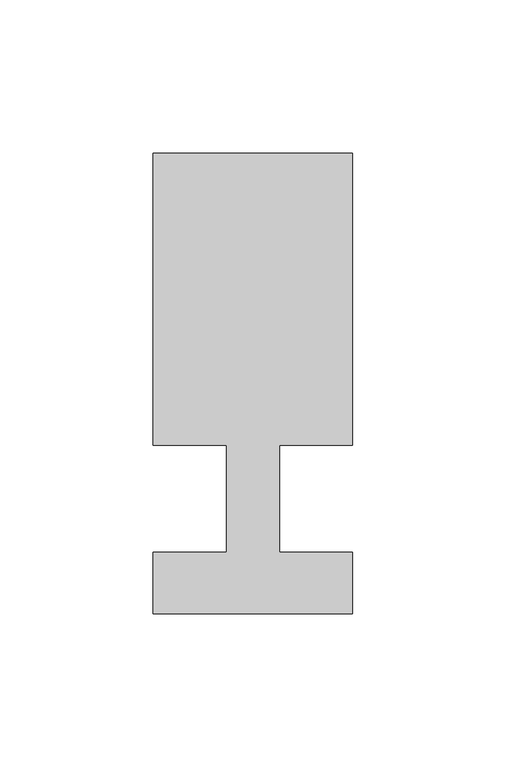
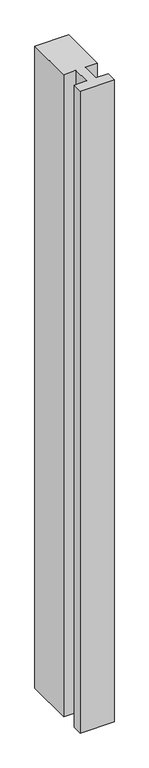
"""IFC4 building model written with IfcOpenShell, lengths in millimetres: member geometry."""

from ifc_helpers import new_model, si_unit, frame, origin, place, context, project, spatial, polyline, outline, extrude, source, transform, mapped, element, save


def member_7ca42be5(model_context):
    return source(origin(), model_context, "Body", "SweptSolid", [
        extrude(outline(polyline([(0.0, -37.0), (-65.0, -37.0), (-65.0, -17.0), (-41.1875, -17.0), (-41.1875, 18.0), (-65.0, 18.0), (-65.0, 113.0), (0.0, 113.0), (0.0, 18.0), (-23.8125, 18.0), (-23.8125, -17.0), (0.0, -17.0), (0.0, -37.0)])), frame((0.0, 0.0, -1300.0), z_axis=(0.0, 0.0, 1.0), x_axis=(1.0, 0.0, 0.0)), (0.0, 0.0, 1.0), 1300.0),
    ])


if __name__ == "__main__":
    model = new_model("IFC4")
    model_context = context("Model", 3, world=origin())
    ifc_project = project(units=[si_unit("LENGTHUNIT", "METRE", prefix="MILLI")], contexts=[model_context])
    site = spatial("IfcSite", under=ifc_project)
    building = spatial("IfcBuilding", under=site)
    placement = place(None, origin())
    member_shape = member_7ca42be5(model_context)
    element("IfcMember", 1, at=placement, inside=building, context=model_context, shape_type="MappedRepresentation", body=[
        mapped(member_shape, transform((0.0, 0.0, 0.0), x_axis=(1.0, 0.0, 0.0), y_axis=(0.0, 1.0, 0.0), z_axis=(0.0, 0.0, 1.0))),
    ])
    save(model, "model.ifc")
